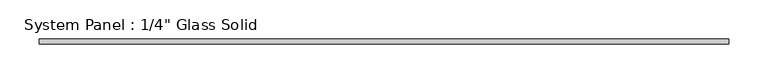
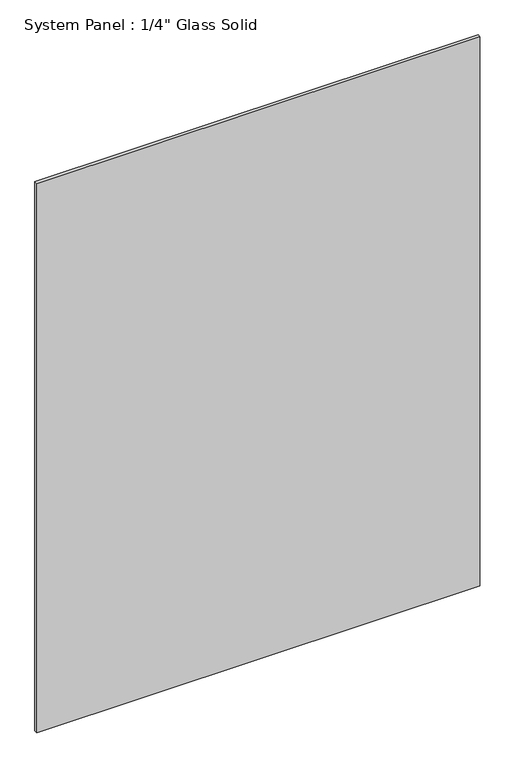
"""IFC4 building model written with IfcOpenShell, lengths in millimetres: plate geometry."""

from ifc_helpers import new_model, si_unit, origin, origin_with_axes, place, context, project, spatial, polyline, outline, extrude, source, transform, mapped, element, save


def plate_8d7f1591(model_context):
    return source(origin(), model_context, "Body", "SweptSolid", [
        extrude(outline(polyline([(440.3180865, -3.175), (-440.3180865, -3.175), (-440.3180865, 3.175), (440.3180865, 3.175), (440.3180865, -3.175)])), origin_with_axes(), (0.0, 0.0, 1.0), 1154.5441382),
    ])


if __name__ == "__main__":
    model = new_model("IFC4")
    model_context = context("Model", 3, world=origin())
    ifc_project = project(units=[si_unit("LENGTHUNIT", "METRE", prefix="MILLI")], contexts=[model_context])
    site = spatial("IfcSite", under=ifc_project)
    building = spatial("IfcBuilding", under=site)
    placement = place(None, origin())
    plate_shape = plate_8d7f1591(model_context)
    element("IfcPlate", 1, ObjectType="System Panel : 1/4\" Glass Solid", at=placement, inside=building, context=model_context, shape_type="MappedRepresentation", body=[
        mapped(plate_shape, transform((0.0, 0.0, 0.0), x_axis=(1.0, 0.0, 0.0), y_axis=(0.0, 1.0, 0.0), z_axis=(0.0, 0.0, 1.0))),
    ])
    save(model, "model.ifc")
